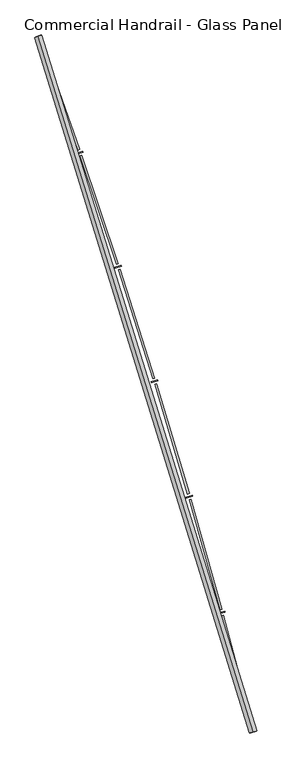
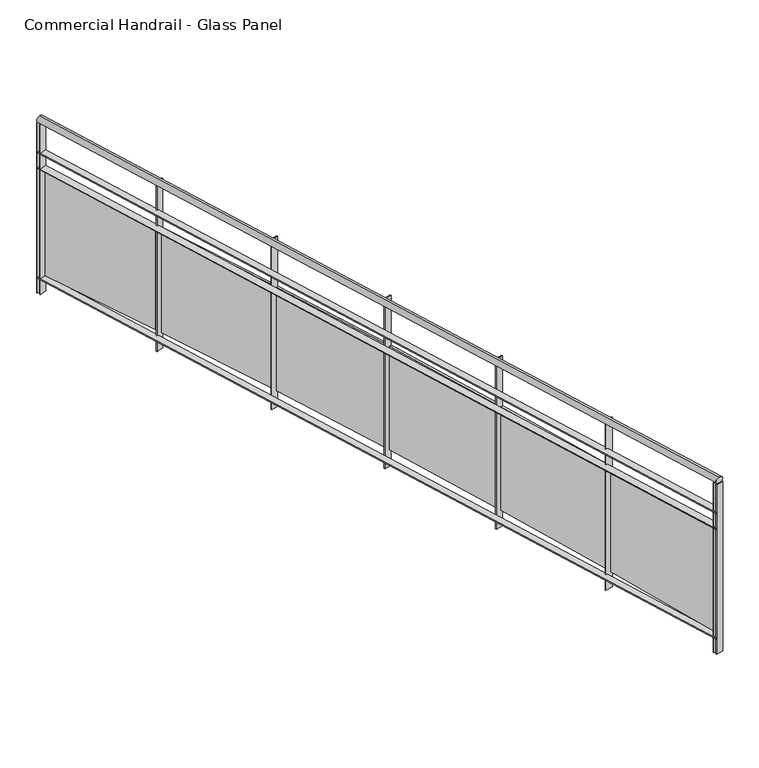
"""IFC4 building model written with IfcOpenShell, lengths in millimetres: railing geometry, Commercial Handrail - Glass Panel."""

from ifc_helpers import new_model, si_unit, point, frame, origin, place, context, project, spatial, polyline, circle_curve, ellipse_curve, trimmed, outline, extrude, source, transform, mapped, element, save
from ifc_brep_helpers import plane_surface, cylinder_surface, revolved_surface, advanced_brep


def commercial_handrail_glass_panel_847c1283(model_context):
    return source(origin(), model_context, "Body", "SolidModel", [
        advanced_brep(
        [(180775.6028582, -41782.2225015, 6082.5), (179346.0628414, -37160.8311359, 6082.5), (179346.0628414, -37160.8311359, 6117.5), (180775.6028582, -41782.2225015, 6117.5)],
        [
            (0, 1, circle_curve(frame((134505.1876621, -53563.3040857, 6082.5), z_axis=(0.0, 0.0, 1.0), x_axis=(0.9391412678699065, 0.3435311906999195, 0.0)), 47746.6774311)),
            (1, 2, ellipse_curve(frame((179346.0628414, -37160.8311359, 6100.0), z_axis=(0.3435311906999135, -0.9391412678699089, 0.0), x_axis=(-0.9391412678699087, -0.34353119069991345, 0.0)), 25.0, 17.5)),
            (2, 3, circle_curve(frame((134505.1876621, -53563.3040857, 6117.5), z_axis=(0.0, 0.0, -1.0), x_axis=(0.9391412678699065, 0.3435311906999195, 0.0)), 47746.6774311)),
            (3, 0, ellipse_curve(frame((180775.6028582, -41782.2225015, 6100.0), z_axis=(-0.24674139056469274, 0.9690813620033158, 0.0), x_axis=(-0.9690813620033158, -0.24674139056469274, 0.0)), 25.0, 17.5)),
            (2, 1, ellipse_curve(frame((179346.0628414, -37160.8311359, 6100.0), z_axis=(0.3435311906999135, -0.9391412678699089, 0.0), x_axis=(-0.9391412678699087, -0.34353119069991345, 0.0)), 25.0, 17.5)),
            (0, 3, ellipse_curve(frame((180775.6028582, -41782.2225015, 6100.0), z_axis=(-0.24674139056469274, 0.9690813620033158, 0.0), x_axis=(-0.9690813620033158, -0.24674139056469274, 0.0)), 25.0, 17.5)),
        ],
        [
            revolved_surface(trimmed(ellipse_curve(frame((179346.0628414, -37160.8311359, 6100.0), z_axis=(-0.3435311906999195, 0.9391412678699065, 0.0), x_axis=(0.0, 0.0, -1.0)), 17.5, 25.0), [point((179346.0628414, -37160.8311359, 6117.5))], [point((179346.0628414, -37160.8311359, 6082.5))], True, "CARTESIAN"), (134505.1876621, -53563.3040857, 6100.0), (0.0, 0.0, -1.0)),
            revolved_surface(trimmed(ellipse_curve(frame((179346.0628414, -37160.8311359, 6100.0), z_axis=(-0.3435311906999195, 0.9391412678699065, 0.0), x_axis=(0.0, 0.0, -1.0)), 17.5, 25.0), [point((179346.0628414, -37160.8311359, 6082.5))], [point((179346.0628414, -37160.8311359, 6117.5))], True, "CARTESIAN"), (134505.1876621, -53563.3040857, 6100.0), (0.0, 0.0, -1.0)),
            plane_surface(frame((179346.0628414, -37160.8311359, 6100.0), z_axis=(-0.3435311906999195, 0.9391412678699065, 0.0), x_axis=(0.9391412678699065, 0.3435311906999195, 0.0))),
            plane_surface(frame((180775.6028582, -41782.2225015, 6100.0), z_axis=(0.24674139056469271, -0.9690813620033158, 0.0), x_axis=(0.9690813620033158, 0.24674139056469271, 0.0))),
        ],
        [
            (0, [[1, 2, 3, 4]]),
            (1, [[-3, 5, -1, 6]]),
            (2, [[-2, -5]]),
            (3, [[-6, -4]]),
        ],
    ),
        advanced_brep(
        [(180797.4071889, -41776.6708203, 5900.0), (179367.1935199, -37153.1016841, 5900.0), (179324.9321629, -37168.5605877, 5900.0), (180753.7985276, -41787.7741828, 5900.0), (180797.4071889, -41776.6708203, 5894.0), (179367.1935199, -37153.1016841, 5894.0), (180753.7985276, -41787.7741828, 5894.0), (179324.9321629, -37168.5605877, 5894.0)],
        [
            (0, 1, circle_curve(frame((134505.1876621, -53563.3040857, 5900.0), z_axis=(0.0, 0.0, 1.0), x_axis=(0.9391412678699065, 0.3435311906999195, 0.0)), 47769.1774311)),
            (1, 2),
            (2, 3, circle_curve(frame((134505.1876621, -53563.3040857, 5900.0), z_axis=(0.0, 0.0, -1.0), x_axis=(0.9391412678699065, 0.3435311906999195, 0.0)), 47724.1774311)),
            (3, 0),
            (4, 5, circle_curve(frame((134505.1876621, -53563.3040857, 5894.0), z_axis=(0.0, 0.0, 1.0), x_axis=(0.9391412678699065, 0.3435311906999195, 0.0)), 47769.1774311)),
            (5, 1),
            (0, 4),
            (6, 7, circle_curve(frame((134505.1876621, -53563.3040857, 5894.0), z_axis=(0.0, 0.0, 1.0), x_axis=(0.9391412678699065, 0.3435311906999195, 0.0)), 47724.1774311)),
            (7, 5),
            (4, 6),
            (2, 7),
            (6, 3),
        ],
        [
            plane_surface(frame((134505.1876621, -53563.3040857, 5900.0), z_axis=(0.0, 0.0, 1.0), x_axis=(0.9391412678699065, 0.3435311906999195, 0.0))),
            cylinder_surface(frame((134505.1876621, -53563.3040857, 5900.0), z_axis=(0.0, 0.0, -1.0), x_axis=(0.9391412678699065, 0.3435311906999195, 0.0)), 47769.1774311),
            plane_surface(frame((134505.1876621, -53563.3040857, 5894.0), z_axis=(0.0, 0.0, -1.0), x_axis=(0.9391412678699065, 0.3435311906999195, 0.0))),
            revolved_surface(polyline([(179324.93216279164, -37168.56058762, 5894.0), (179324.93216279164, -37168.56058762, 5900.0)]), (134505.1876621, -53563.3040857, 5900.0), (0.0, 0.0, -1.0)),
            plane_surface(frame((179346.0628414, -37160.8311359, 5900.0), z_axis=(-0.3435311906999195, 0.9391412678699065, 0.0), x_axis=(0.9391412678699065, 0.3435311906999195, 0.0))),
            plane_surface(frame((180775.6028582, -41782.2225015, 5900.0), z_axis=(0.24674139056469271, -0.9690813620033158, 0.0), x_axis=(0.9690813620033158, 0.24674139056469271, 0.0))),
        ],
        [
            (0, [[1, 2, 3, 4]]),
            (1, [[5, 6, -1, 7]]),
            (2, [[8, 9, -5, 10]]),
            (3, [[-3, 11, -8, 12]]),
            (4, [[-2, -6, -9, -11]]),
            (5, [[-12, -10, -7, -4]]),
        ],
    ),
        advanced_brep(
        [(180797.4071889, -41776.6708203, 5800.0), (179367.1935199, -37153.1016841, 5800.0), (179324.9321629, -37168.5605877, 5800.0), (180753.7985276, -41787.7741828, 5800.0), (180797.4071889, -41776.6708203, 5794.0), (179367.1935199, -37153.1016841, 5794.0), (180753.7985276, -41787.7741828, 5794.0), (179324.9321629, -37168.5605877, 5794.0)],
        [
            (0, 1, circle_curve(frame((134505.1876621, -53563.3040857, 5800.0), z_axis=(0.0, 0.0, 1.0), x_axis=(0.9391412678699065, 0.3435311906999195, 0.0)), 47769.1774311)),
            (1, 2),
            (2, 3, circle_curve(frame((134505.1876621, -53563.3040857, 5800.0), z_axis=(0.0, 0.0, -1.0), x_axis=(0.9391412678699065, 0.3435311906999195, 0.0)), 47724.1774311)),
            (3, 0),
            (4, 5, circle_curve(frame((134505.1876621, -53563.3040857, 5794.0), z_axis=(0.0, 0.0, 1.0), x_axis=(0.9391412678699065, 0.3435311906999195, 0.0)), 47769.1774311)),
            (5, 1),
            (0, 4),
            (6, 7, circle_curve(frame((134505.1876621, -53563.3040857, 5794.0), z_axis=(0.0, 0.0, 1.0), x_axis=(0.9391412678699065, 0.3435311906999195, 0.0)), 47724.1774311)),
            (7, 5),
            (4, 6),
            (2, 7),
            (6, 3),
        ],
        [
            plane_surface(frame((134505.1876621, -53563.3040857, 5800.0), z_axis=(0.0, 0.0, 1.0), x_axis=(0.9391412678699065, 0.3435311906999195, 0.0))),
            cylinder_surface(frame((134505.1876621, -53563.3040857, 5800.0), z_axis=(0.0, 0.0, -1.0), x_axis=(0.9391412678699065, 0.3435311906999195, 0.0)), 47769.1774311),
            plane_surface(frame((134505.1876621, -53563.3040857, 5794.0), z_axis=(0.0, 0.0, -1.0), x_axis=(0.9391412678699065, 0.3435311906999195, 0.0))),
            revolved_surface(polyline([(179324.93216279164, -37168.56058762, 5794.0), (179324.93216279164, -37168.56058762, 5800.0)]), (134505.1876621, -53563.3040857, 5800.0), (0.0, 0.0, -1.0)),
            plane_surface(frame((179346.0628414, -37160.8311359, 5800.0), z_axis=(-0.3435311906999195, 0.9391412678699065, 0.0), x_axis=(0.9391412678699065, 0.3435311906999195, 0.0))),
            plane_surface(frame((180775.6028582, -41782.2225015, 5800.0), z_axis=(0.24674139056469271, -0.9690813620033158, 0.0), x_axis=(0.9690813620033158, 0.24674139056469271, 0.0))),
        ],
        [
            (0, [[1, 2, 3, 4]]),
            (1, [[5, 6, -1, 7]]),
            (2, [[8, 9, -5, 10]]),
            (3, [[-3, 11, -8, 12]]),
            (4, [[-2, -6, -9, -11]]),
            (5, [[-12, -10, -7, -4]]),
        ],
    ),
        advanced_brep(
        [(180797.4071889, -41776.6708203, 5100.0), (179367.1935199, -37153.1016841, 5100.0), (179324.9321629, -37168.5605877, 5100.0), (180753.7985276, -41787.7741828, 5100.0), (180797.4071889, -41776.6708203, 5094.0), (179367.1935199, -37153.1016841, 5094.0), (180753.7985276, -41787.7741828, 5094.0), (179324.9321629, -37168.5605877, 5094.0)],
        [
            (0, 1, circle_curve(frame((134505.1876621, -53563.3040857, 5100.0), z_axis=(0.0, 0.0, 1.0), x_axis=(0.9391412678699065, 0.3435311906999195, 0.0)), 47769.1774311)),
            (1, 2),
            (2, 3, circle_curve(frame((134505.1876621, -53563.3040857, 5100.0), z_axis=(0.0, 0.0, -1.0), x_axis=(0.9391412678699065, 0.3435311906999195, 0.0)), 47724.1774311)),
            (3, 0),
            (4, 5, circle_curve(frame((134505.1876621, -53563.3040857, 5094.0), z_axis=(0.0, 0.0, 1.0), x_axis=(0.9391412678699065, 0.3435311906999195, 0.0)), 47769.1774311)),
            (5, 1),
            (0, 4),
            (6, 7, circle_curve(frame((134505.1876621, -53563.3040857, 5094.0), z_axis=(0.0, 0.0, 1.0), x_axis=(0.9391412678699065, 0.3435311906999195, 0.0)), 47724.1774311)),
            (7, 5),
            (4, 6),
            (2, 7),
            (6, 3),
        ],
        [
            plane_surface(frame((134505.1876621, -53563.3040857, 5100.0), z_axis=(0.0, 0.0, 1.0), x_axis=(0.9391412678699065, 0.3435311906999195, 0.0))),
            cylinder_surface(frame((134505.1876621, -53563.3040857, 5100.0), z_axis=(0.0, 0.0, -1.0), x_axis=(0.9391412678699065, 0.3435311906999195, 0.0)), 47769.1774311),
            plane_surface(frame((134505.1876621, -53563.3040857, 5094.0), z_axis=(0.0, 0.0, -1.0), x_axis=(0.9391412678699065, 0.3435311906999195, 0.0))),
            revolved_surface(polyline([(179324.93216279164, -37168.56058762, 5094.0), (179324.93216279164, -37168.56058762, 5100.0)]), (134505.1876621, -53563.3040857, 5100.0), (0.0, 0.0, -1.0)),
            plane_surface(frame((179346.0628414, -37160.8311359, 5100.0), z_axis=(-0.3435311906999195, 0.9391412678699065, 0.0), x_axis=(0.9391412678699065, 0.3435311906999195, 0.0))),
            plane_surface(frame((180775.6028582, -41782.2225015, 5100.0), z_axis=(0.24674139056469271, -0.9690813620033158, 0.0), x_axis=(0.9690813620033158, 0.24674139056469271, 0.0))),
        ],
        [
            (0, [[1, 2, 3, 4]]),
            (1, [[5, 6, -1, 7]]),
            (2, [[8, 9, -5, 10]]),
            (3, [[-3, 11, -8, 12]]),
            (4, [[-2, -6, -9, -11]]),
            (5, [[-12, -10, -7, -4]]),
        ],
    ),
        extrude(outline(polyline([(180748.1806794, -41765.7315693), (180791.7847427, -41754.6101634), (180793.2675968, -41760.4240385), (180749.6635336, -41771.5454444), (180748.1806794, -41765.7315693)])), frame((0.0, 0.0, 5000.0), z_axis=(0.0, 0.0, 1.0), x_axis=(1.0, 0.0, 0.0)), (0.0, 0.0, 1.0), 1082.1192282),
        extrude(outline(polyline([(180579.0506002, -41006.960836), (180773.041554, -41741.7856518), (180761.4390569, -41744.8486668), (180567.4481031, -41010.0238511), (180579.0506002, -41006.960836)])), frame((0.0, 0.0, 5120.0), z_axis=(0.0, 0.0, 1.0), x_axis=(1.0, 0.0, 0.0)), (0.0, 0.0, 1.0), 660.0),
        extrude(outline(polyline([(180544.0296903, -40992.6181386), (180587.4413017, -40980.7677378), (180589.0213551, -40986.5559526), (180545.6097438, -40998.4063534), (180544.0296903, -40992.6181386)])), frame((0.0, 0.0, 5000.0), z_axis=(0.0, 0.0, 1.0), x_axis=(1.0, 0.0, 0.0)), (0.0, 0.0, 1.0), 1082.1192282),
        extrude(outline(polyline([(180362.2106717, -40236.7875664), (180568.485878, -40968.2590554), (180556.9363282, -40971.5160323), (180350.6611219, -40240.0445433), (180362.2106717, -40236.7875664)])), frame((0.0, 0.0, 5120.0), z_axis=(0.0, 0.0, 1.0), x_axis=(1.0, 0.0, 0.0)), (0.0, 0.0, 1.0), 660.0),
        extrude(outline(polyline([(180326.9543755, -40223.0336333), (180370.1613482, -40210.4575643), (180371.8381574, -40216.218494), (180328.6311847, -40228.794563), (180326.9543755, -40223.0336333)])), frame((0.0, 0.0, 5000.0), z_axis=(0.0, 0.0, 1.0), x_axis=(1.0, 0.0, 0.0)), (0.0, 0.0, 1.0), 1082.1192282),
        extrude(outline(polyline([(180132.4974589, -39470.3554039), (180350.9990108, -40198.2682227), (180339.5056505, -40201.7182472), (180121.0040986, -39473.8054284), (180132.4974589, -39470.3554039)])), frame((0.0, 0.0, 5120.0), z_axis=(0.0, 0.0, 1.0), x_axis=(1.0, 0.0, 0.0)), (0.0, 0.0, 1.0), 660.0),
        extrude(outline(polyline([(180097.0156738, -39457.1940962), (180140.0058784, -39443.8958894), (180141.7789726, -39449.6279167), (180098.788768, -39462.9261235), (180097.0156738, -39457.1940962)])), frame((0.0, 0.0, 5000.0), z_axis=(0.0, 0.0, 1.0), x_axis=(1.0, 0.0, 0.0)), (0.0, 0.0, 1.0), 1082.1192282),
        extrude(outline(polyline([(179889.9754484, -38707.8795063), (180120.6420068, -39432.0293105), (180109.2080625, -39435.6714141), (179878.5415042, -38711.5216099), (179889.9754484, -38707.8795063)])), frame((0.0, 0.0, 5120.0), z_axis=(0.0, 0.0, 1.0), x_axis=(1.0, 0.0, 0.0)), (0.0, 0.0, 1.0), 660.0),
        extrude(outline(polyline([(179854.278135, -38695.3145188), (179897.0395032, -38681.2979075), (179898.9083847, -38686.9994232), (179856.1470165, -38701.0160346), (179854.278135, -38695.3145188)])), frame((0.0, 0.0, 5000.0), z_axis=(0.0, 0.0, 1.0), x_axis=(1.0, 0.0, 0.0)), (0.0, 0.0, 1.0), 1082.1192282),
        extrude(outline(polyline([(179634.7127226, -37949.5739211), (179877.4795332, -38669.7574225), (179866.1082147, -38673.5905826), (179623.3414042, -37953.4070812), (179634.7127226, -37949.5739211)])), frame((0.0, 0.0, 5120.0), z_axis=(0.0, 0.0, 1.0), x_axis=(1.0, 0.0, 0.0)), (0.0, 0.0, 1.0), 660.0),
        extrude(outline(polyline([(179598.8099021, -37937.608781), (179641.3304295, -37922.8776999), (179643.2945737, -37928.5471036), (179600.7740463, -37943.2781847), (179598.8099021, -37937.608781)])), frame((0.0, 0.0, 5000.0), z_axis=(0.0, 0.0, 1.0), x_axis=(1.0, 0.0, 0.0)), (0.0, 0.0, 1.0), 1082.1192282),
        extrude(outline(polyline([(179366.7809405, -37195.6515245), (179621.5798522, -37911.6665486), (179610.2743518, -37915.6896893), (179355.4754402, -37199.6746652), (179366.7809405, -37195.6515245)])), frame((0.0, 0.0, 5120.0), z_axis=(0.0, 0.0, 1.0), x_axis=(1.0, 0.0, 0.0)), (0.0, 0.0, 1.0), 660.0),
        extrude(outline(polyline([(179330.6826918, -37184.2895909), (179372.9504418, -37168.8481755), (179375.0092972, -37174.4838755), (179332.7415472, -37189.9252909), (179330.6826918, -37184.2895909)])), frame((0.0, 0.0, 5000.0), z_axis=(0.0, 0.0, 1.0), x_axis=(1.0, 0.0, 0.0)), (0.0, 0.0, 1.0), 1082.1192282),
        extrude(outline(polyline([(180753.0583034, -41784.8669387), (180796.6669647, -41773.7635762), (180798.147413, -41779.5780643), (180754.5387518, -41790.6814269), (180753.0583034, -41784.8669387)])), frame((0.0, 0.0, 5000.0), z_axis=(0.0, 0.0, 1.0), x_axis=(1.0, 0.0, 0.0)), (0.0, 0.0, 1.0), 1082.1192282),
        extrude(outline(polyline([(179323.9015693, -37165.7431638), (179366.1629263, -37150.2842603), (179368.2241135, -37155.9191079), (179325.9627564, -37171.3780115), (179323.9015693, -37165.7431638)])), frame((0.0, 0.0, 5000.0), z_axis=(0.0, 0.0, 1.0), x_axis=(1.0, 0.0, 0.0)), (0.0, 0.0, 1.0), 1082.1192282),
    ])


if __name__ == "__main__":
    model = new_model("IFC4")
    model_context = context("Model", 3, world=origin())
    ifc_project = project(units=[si_unit("LENGTHUNIT", "METRE", prefix="MILLI")], contexts=[model_context])
    site = spatial("IfcSite", under=ifc_project)
    building = spatial("IfcBuilding", under=site)
    placement = place(None, origin())
    commercial_handrail_glass_panel_shape = commercial_handrail_glass_panel_847c1283(model_context)
    element("IfcRailing", 1, ObjectType="Commercial Handrail - Glass Panel", at=placement, inside=building, context=model_context, shape_type="MappedRepresentation", body=[
        mapped(commercial_handrail_glass_panel_shape, transform((0.0, 0.0, 0.0), x_axis=(1.0, 0.0, 0.0), y_axis=(0.0, 1.0, 0.0), z_axis=(0.0, 0.0, 1.0))),
    ])
    save(model, "model.ifc")
